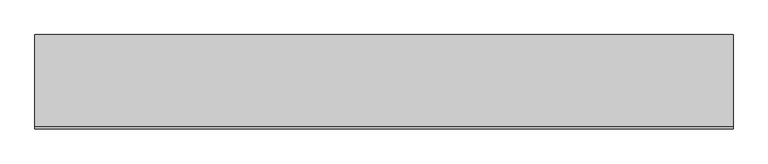
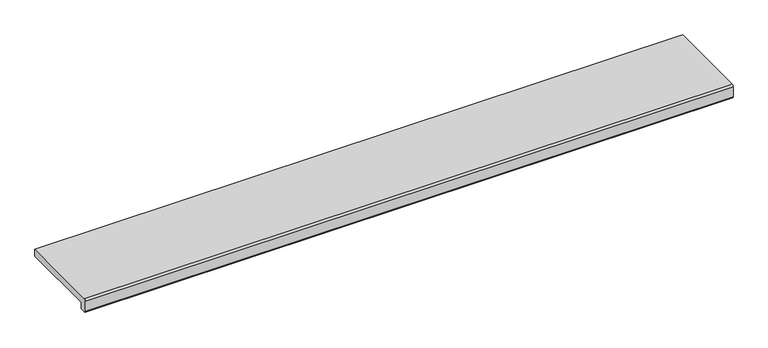
"""IFC4 building model written with IfcOpenShell, lengths in millimetres: proxy geometry."""

from ifc_helpers import new_model, si_unit, point, frame, frame_2d, origin, place, context, project, spatial, polyline, circle_curve, trimmed, segment, composite_curve, outline, extrude, source, transform, mapped, element, save


def generic_models_fd6c2ccd(model_context):
    return source(origin(), model_context, "Body", "SweptSolid", [
        extrude(outline(composite_curve([segment(polyline([(-245.0, 30.0), (0.0, 30.0), (0.0, 10.0), (-230.0, 10.0), (-230.0, -10.0), (-245.0, -10.0)]), True, "CONTINUOUS"), segment(trimmed(circle_curve(frame_2d((-245.0, -5.0)), 5.0), [point((-245.0, -10.0))], [point((-250.0, -5.0))], False, "CARTESIAN"), True, "CONTINUOUS"), segment(polyline([(-250.0, -5.0), (-250.0, 25.0)]), True, "CONTINUOUS"), segment(trimmed(circle_curve(frame_2d((-245.0, 25.0)), 5.0), [point((-250.0, 25.0))], [point((-245.0, 30.0))], False, "CARTESIAN"), True, "CONTINUOUS")], self_intersect=False)), frame((-925.0, 0.0, 0.0), z_axis=(1.0, 0.0, 0.0), x_axis=(0.0, 1.0, 0.0)), (0.0, 0.0, 1.0), 1850.0),
    ])


if __name__ == "__main__":
    model = new_model("IFC4")
    model_context = context("Model", 3, world=origin())
    ifc_project = project(units=[si_unit("LENGTHUNIT", "METRE", prefix="MILLI")], contexts=[model_context])
    site = spatial("IfcSite", under=ifc_project)
    building = spatial("IfcBuilding", under=site)
    placement = place(None, origin())
    generic_models_shape = generic_models_fd6c2ccd(model_context)
    element("IfcBuildingElementProxy", 1, Name="Generic Models", at=placement, inside=building, context=model_context, shape_type="MappedRepresentation", body=[
        mapped(generic_models_shape, transform((0.0, 0.0, 0.0), x_axis=(1.0, 0.0, 0.0), y_axis=(0.0, 1.0, 0.0), z_axis=(0.0, 0.0, 1.0))),
    ])
    save(model, "model.ifc")
